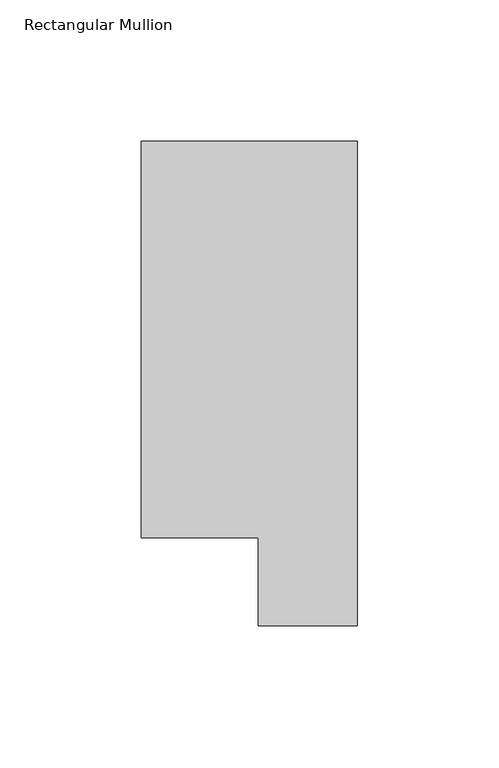
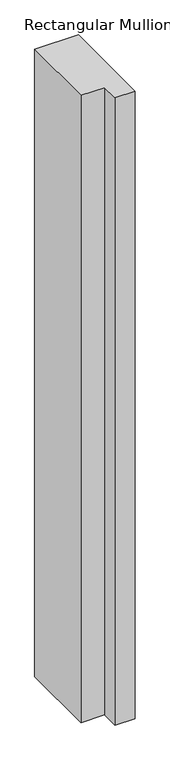
"""IFC4 building model written with IfcOpenShell, lengths in millimetres: member geometry, Rectangular Mullion."""

from ifc_helpers import new_model, si_unit, frame, origin, place, context, project, spatial, polyline, outline, extrude, source, transform, mapped, element, save


def rectangular_mullion_4876f587(model_context):
    return source(origin(), model_context, "Body", "SweptSolid", [
        extrude(outline(polyline([(0.0, 190.7881313), (0.0, 19.5667313), (-34.9123, 19.5667313), (-34.9123, 50.820278), (-76.2, 50.820278), (-76.2, 190.7881313), (0.0, 190.7881313)])), frame((0.0, 0.0, -1155.6999996), z_axis=(0.0, 0.0, 1.0), x_axis=(1.0, 0.0, 0.0)), (0.0, 0.0, 1.0), 1155.6999996),
    ])


if __name__ == "__main__":
    model = new_model("IFC4")
    model_context = context("Model", 3, world=origin())
    ifc_project = project(units=[si_unit("LENGTHUNIT", "METRE", prefix="MILLI")], contexts=[model_context])
    site = spatial("IfcSite", under=ifc_project)
    building = spatial("IfcBuilding", under=site)
    placement = place(None, origin())
    rectangular_mullion_shape = rectangular_mullion_4876f587(model_context)
    element("IfcMember", 1, ObjectType="Rectangular Mullion", at=placement, inside=building, context=model_context, shape_type="MappedRepresentation", body=[
        mapped(rectangular_mullion_shape, transform((0.0, 0.0, 0.0), x_axis=(1.0, 0.0, 0.0), y_axis=(0.0, 1.0, 0.0), z_axis=(0.0, 0.0, 1.0))),
    ])
    save(model, "model.ifc")
